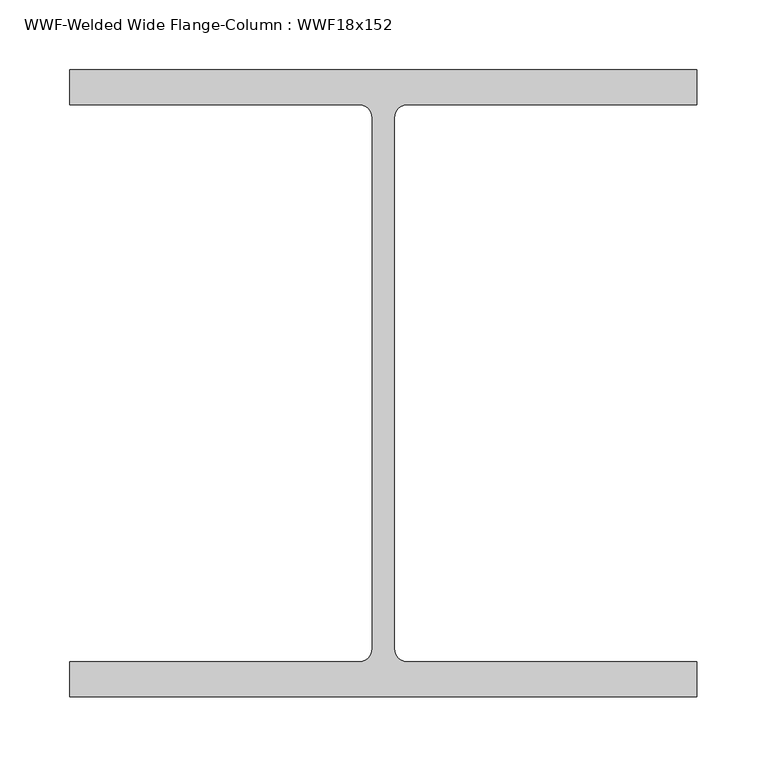
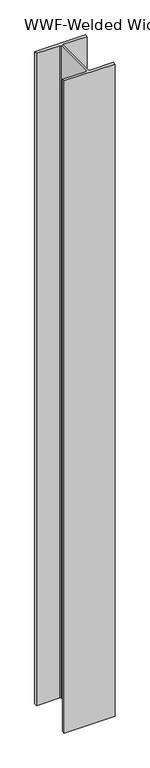
"""IFC4 building model written with IfcOpenShell, lengths in millimetres: column geometry, WWF-Welded Wide Flange-Column : WWF18x152."""

from ifc_helpers import new_model, si_unit, point, frame_2d, origin, origin_with_axes, place, context, project, spatial, polyline, circle_curve, trimmed, segment, composite_curve, outline, extrude, source, transform, mapped, element, save


def wwf_welded_wide_flange_column_wwf18x152_bdf9c71f(model_context):
    return source(origin(), model_context, "Body", "SweptSolid", [
        extrude(outline(composite_curve([segment(polyline([(225.028125, 225.028125), (225.028125, 200.025), (17.4625, 200.025)]), True, "CONTINUOUS"), segment(trimmed(circle_curve(frame_2d((17.4625, 190.5496094)), 9.4753906), [point((17.4625, 200.025))], [point((7.9871094, 190.5496094))], True, "CARTESIAN"), True, "CONTINUOUS"), segment(polyline([(7.9871094, 190.5496094), (7.9871094, -190.5496094)]), True, "CONTINUOUS"), segment(trimmed(circle_curve(frame_2d((17.4625, -190.5496094)), 9.4753906), [point((7.9871094, -190.5496094))], [point((17.4625, -200.025))], True, "CARTESIAN"), True, "CONTINUOUS"), segment(polyline([(17.4625, -200.025), (225.028125, -200.025), (225.028125, -225.028125), (-225.028125, -225.028125), (-225.028125, -200.025), (-17.4625, -200.025)]), True, "CONTINUOUS"), segment(trimmed(circle_curve(frame_2d((-17.4625, -190.5496094)), 9.4753906), [point((-17.4625, -200.025))], [point((-7.9871094, -190.5496094))], True, "CARTESIAN"), True, "CONTINUOUS"), segment(polyline([(-7.9871094, -190.5496094), (-7.9871094, 190.5496094)]), True, "CONTINUOUS"), segment(trimmed(circle_curve(frame_2d((-17.4625, 190.5496094)), 9.4753906), [point((-7.9871094, 190.5496094))], [point((-17.4625, 200.025))], True, "CARTESIAN"), True, "CONTINUOUS"), segment(polyline([(-17.4625, 200.025), (-225.028125, 200.025), (-225.028125, 225.028125), (225.028125, 225.028125)]), True, "CONTINUOUS")], self_intersect=False)), origin_with_axes(), (0.0, 0.0, 1.0), 6096.0),
    ])


if __name__ == "__main__":
    model = new_model("IFC4")
    model_context = context("Model", 3, world=origin())
    ifc_project = project(units=[si_unit("LENGTHUNIT", "METRE", prefix="MILLI")], contexts=[model_context])
    site = spatial("IfcSite", under=ifc_project)
    building = spatial("IfcBuilding", under=site)
    placement = place(None, origin())
    wwf_welded_wide_flange_column_wwf18x152_shape = wwf_welded_wide_flange_column_wwf18x152_bdf9c71f(model_context)
    element("IfcColumn", 1, ObjectType="WWF-Welded Wide Flange-Column : WWF18x152", at=placement, inside=building, context=model_context, shape_type="MappedRepresentation", body=[
        mapped(wwf_welded_wide_flange_column_wwf18x152_shape, transform((0.0, 0.0, 0.0), x_axis=(1.0, 0.0, 0.0), y_axis=(0.0, 1.0, 0.0), z_axis=(0.0, 0.0, 1.0))),
    ])
    save(model, "model.ifc")
